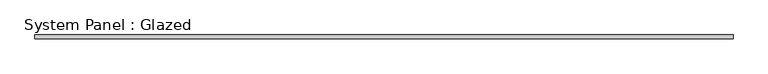
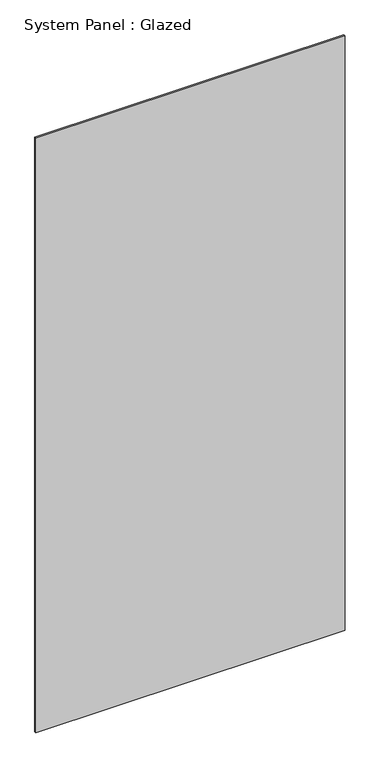
"""IFC4 building model written with IfcOpenShell, lengths in millimetres: plate geometry, System Panel : Glazed."""

import ifcopenshell
import ifcopenshell.guid

model = None  # the IFC model being written
_history = None  # IfcOwnerHistory: only IFC2X3 demands one
_inside = {}  # id of a spatial element -> (the spatial element, [elements in it])
_under = {}  # id of a project, library or spatial element -> (it, [spatial elements below it])
_declared = {}  # id of a project -> (the project, [libraries it declares])
_typed = {}  # id of a type object -> (the type object, [elements of that type])
_made_of = {}  # id of a material, layer set ... -> (it, [elements and type objects made of it])


def new_model(schema):
    """Start an empty IFC model of exactly this schema.

    Asked for "IFC4X3", IfcOpenShell would pick the latest addendum, in which some entities
    have other attributes; the version numbers below select the first issue.
    IFC2X3 requires an IfcOwnerHistory on every rooted entity: one is made here for all.
    """
    global model, _history
    if schema == "IFC4X3":
        model = ifcopenshell.file(schema_version=(4, 3, 0, 0))
    else:
        model = ifcopenshell.file(schema=schema)
    _inside.clear()
    _under.clear()
    _declared.clear()
    _typed.clear()
    _made_of.clear()
    _history = None
    if model.schema == "IFC2X3":
        org = make("IfcOrganization", Name="unknown")
        user = make(
            "IfcPersonAndOrganization",
            ThePerson=make("IfcPerson", FamilyName="unknown"),
            TheOrganization=org,
        )
        app = make(
            "IfcApplication",
            ApplicationDeveloper=org,
            Version="unknown",
            ApplicationFullName="unknown",
            ApplicationIdentifier="unknown",
        )
        _history = make(
            "IfcOwnerHistory",
            OwningUser=user,
            OwningApplication=app,
            ChangeAction="ADDED",
            CreationDate=0,
        )
    return model


def make(cls, **values):
    """One entity of the class cls with the attributes given. An attribute that is None is left unset."""
    return model.create_entity(
        cls, **{name: value for name, value in values.items() if value is not None}
    )


def rooted(cls, **values):
    """An entity with a GlobalId (a new one), such as an element, a storey or a relation."""
    return make(cls, GlobalId=ifcopenshell.guid.new(), OwnerHistory=_history, **values)


def si_unit(unit_type, name, prefix=None):
    """IfcSIUnit, for example si_unit("LENGTHUNIT", "METRE", prefix="MILLI")."""
    return make("IfcSIUnit", UnitType=unit_type, Prefix=prefix, Name=name)


def assignment(units):
    """IfcUnitAssignment: the units of a project."""
    return None if units is None else make("IfcUnitAssignment", Units=units)


def point(xyz):
    """IfcCartesianPoint."""
    return None if xyz is None else make("IfcCartesianPoint", Coordinates=xyz)


def direction(xyz):
    """IfcDirection."""
    return None if xyz is None else make("IfcDirection", DirectionRatios=xyz)


def frame(location, z_axis=None, x_axis=None):
    """IfcAxis2Placement3D, a coordinate frame: its origin and axes. An axis left out is left unset."""
    return make(
        "IfcAxis2Placement3D",
        Location=point(location),
        Axis=direction(z_axis),
        RefDirection=direction(x_axis),
    )


def origin():
    """The frame at (0, 0, 0) with its axes left unset."""
    return frame((0.0, 0.0, 0.0))


def origin_with_axes():
    """The frame at (0, 0, 0) with the z axis (0, 0, 1) and the x axis (1, 0, 0) written out."""
    return frame((0.0, 0.0, 0.0), z_axis=(0.0, 0.0, 1.0), x_axis=(1.0, 0.0, 0.0))


def place(relative_to, where):
    """IfcLocalPlacement: puts the frame where relative to a parent placement (None: the world)."""
    return make(
        "IfcLocalPlacement", PlacementRelTo=relative_to, RelativePlacement=where
    )


def context(
    kind, dimensions, precision=None, world=None, true_north=None, identifier=None
):
    """IfcGeometricRepresentationContext, for example the 3D "Model" context."""
    return make(
        "IfcGeometricRepresentationContext",
        ContextIdentifier=identifier,
        ContextType=kind,
        CoordinateSpaceDimension=dimensions,
        Precision=precision,
        WorldCoordinateSystem=world,
        TrueNorth=true_north,
    )


def project(units=None, contexts=None):
    """IfcProject with its units and contexts."""
    return rooted(
        "IfcProject",
        Name="project",
        RepresentationContexts=contexts,
        UnitsInContext=assignment(units),
    )


def spatial(cls, under=None, at=None, **own):
    """A site, building, storey or space (cls), placed at a placement, below another one or the project."""
    s = rooted(cls, ObjectPlacement=at, **own)
    if under is not None:
        _under.setdefault(under.id(), (under, []))[1].append(s)
    return s


def polyline(points):
    """IfcPolyline through the points."""
    return make("IfcPolyline", Points=[point(p) for p in points])


def outline(outer, holes=None, kind="AREA"):
    """IfcArbitraryClosedProfileDef: a profile drawn as a closed curve; with holes, ...WithVoids."""
    if holes is None:
        return make("IfcArbitraryClosedProfileDef", ProfileType=kind, OuterCurve=outer)
    return make(
        "IfcArbitraryProfileDefWithVoids",
        ProfileType=kind,
        OuterCurve=outer,
        InnerCurves=holes,
    )


def extrude(swept, where, along, depth):
    """IfcExtrudedAreaSolid: the profile swept, set in the frame where, extruded along a direction by depth."""
    return make(
        "IfcExtrudedAreaSolid",
        SweptArea=swept,
        Position=where,
        ExtrudedDirection=direction(along),
        Depth=depth,
    )


def shape(context_of_items, identifier, shape_type, items):
    """IfcShapeRepresentation: the items that make up one representation, for example the "Body"."""
    return make(
        "IfcShapeRepresentation",
        ContextOfItems=context_of_items,
        RepresentationIdentifier=identifier,
        RepresentationType=shape_type,
        Items=items,
    )


def source(mapping_origin, context_of_items, identifier, shape_type, items):
    """IfcRepresentationMap: a shape defined once, which mapped items show again and again."""
    return make(
        "IfcRepresentationMap",
        MappingOrigin=mapping_origin,
        MappedRepresentation=shape(context_of_items, identifier, shape_type, items),
    )


def transform(
    local_origin,
    x_axis=None,
    y_axis=None,
    z_axis=None,
    scale=None,
    scale2=None,
    scale3=None,
    uniform=True,
):
    """IfcCartesianTransformationOperator3D, or its non-uniform kind. x_axis, y_axis, z_axis: its Axis1, 2, 3."""
    if uniform:
        return make(
            "IfcCartesianTransformationOperator3D",
            Axis1=direction(x_axis),
            Axis2=direction(y_axis),
            LocalOrigin=point(local_origin),
            Scale=scale,
            Axis3=direction(z_axis),
        )
    return make(
        "IfcCartesianTransformationOperator3DnonUniform",
        Axis1=direction(x_axis),
        Axis2=direction(y_axis),
        LocalOrigin=point(local_origin),
        Scale=scale,
        Axis3=direction(z_axis),
        Scale2=scale2,
        Scale3=scale3,
    )


def mapped(mapping_source, mapping_target):
    """IfcMappedItem: shows the shape of a source again, moved by a transform."""
    return make(
        "IfcMappedItem", MappingSource=mapping_source, MappingTarget=mapping_target
    )


def made_of(thing, what):
    """Note that an element or type object is made of a material, layer set ...; save() writes the relation."""
    if what is not None:
        _made_of.setdefault(what.id(), (what, []))[1].append(thing)
    return thing


def element(
    cls,
    number,
    at=None,
    inside=None,
    cuts=None,
    type_object=None,
    material=None,
    context=None,
    identifier="Body",
    shape_type=None,
    held_by="IfcProductDefinitionShape",
    body=None,
    shapes=None,
    **own,
):
    """One element of the class cls, such as IfcWall. Its Tag is "e" and its number.

    at: its placement. inside: the storey or other place that contains it. cuts: it is an
    opening in that element (IfcRelVoidsElement). A single representation is given by context,
    identifier, shape_type and body (its items); several are given by shapes. held_by: the class
    of the entity that holds the representations. save() writes the other relations.
    """
    e = rooted(cls, Tag="e%d" % number, ObjectPlacement=at, **own)
    if body is not None:
        shapes = [shape(context, identifier, shape_type, body)]
    if shapes is not None:
        e.Representation = make(held_by, Representations=shapes)
    if inside is not None:
        _inside.setdefault(inside.id(), (inside, []))[1].append(e)
    if cuts is not None:
        rooted(
            "IfcRelVoidsElement", RelatingBuildingElement=cuts, RelatedOpeningElement=e
        )
    if type_object is not None:
        _typed.setdefault(type_object.id(), (type_object, []))[1].append(e)
    return made_of(e, material)


def aggregate(whole, parts):
    """IfcRelAggregates: a whole, such as a stair, and the parts it consists of."""
    return rooted("IfcRelAggregates", RelatingObject=whole, RelatedObjects=parts)


def save(model, path):
    """Write the relations noted so far, then the file.

    IfcRelAggregates (storeys below a building ...), IfcRelContainedInSpatialStructure (elements
    in a storey), IfcRelDefinesByType, IfcRelAssociatesMaterial and IfcRelDeclares: one each for
    every whole, place, type object, material and project.
    """
    for whole, parts in _under.values():
        aggregate(whole, parts)
    for where, things in _inside.values():
        rooted(
            "IfcRelContainedInSpatialStructure",
            RelatedElements=things,
            RelatingStructure=where,
        )
    for kind, things in _typed.values():
        rooted("IfcRelDefinesByType", RelatedObjects=things, RelatingType=kind)
    for what, things in _made_of.values():
        rooted("IfcRelAssociatesMaterial", RelatedObjects=things, RelatingMaterial=what)
    for by, libraries in _declared.values():
        rooted("IfcRelDeclares", RelatingContext=by, RelatedDefinitions=libraries)
    model.write(path)


def system_panel_glazed_95e578d1(model_context):
    return source(origin(), model_context, "Body", "SweptSolid", [
        extrude(outline(polyline([(585.5843, -3.175), (-585.5843, -3.175), (-585.5843, 3.175), (585.5843, 3.175), (585.5843, -3.175)])), origin_with_axes(), (0.0, 0.0, 1.0), 2381.3008),
    ])


if __name__ == "__main__":
    model = new_model("IFC4")
    model_context = context("Model", 3, world=origin())
    ifc_project = project(units=[si_unit("LENGTHUNIT", "METRE", prefix="MILLI")], contexts=[model_context])
    site = spatial("IfcSite", under=ifc_project)
    building = spatial("IfcBuilding", under=site)
    placement = place(None, origin())
    system_panel_glazed_shape = system_panel_glazed_95e578d1(model_context)
    element("IfcPlate", 1, ObjectType="System Panel : Glazed", at=placement, inside=building, context=model_context, shape_type="MappedRepresentation", body=[
        mapped(system_panel_glazed_shape, transform((0.0, 0.0, 0.0), x_axis=(1.0, 0.0, 0.0), y_axis=(0.0, 1.0, 0.0), z_axis=(0.0, 0.0, 1.0))),
    ])
    save(model, "model.ifc")
